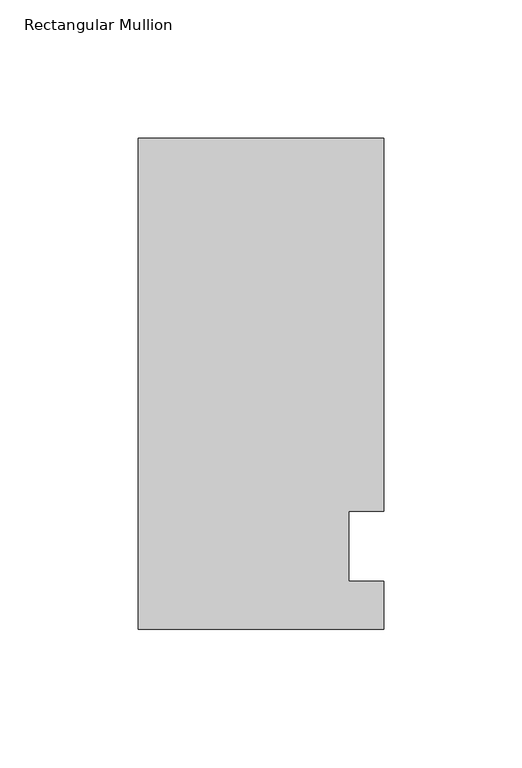
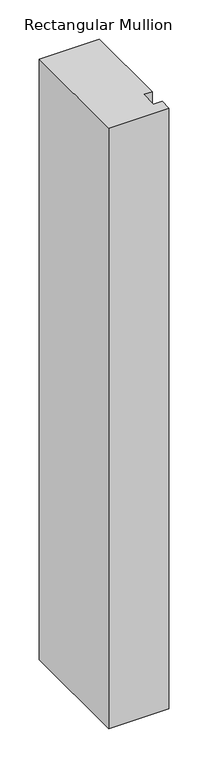
"""IFC4 building model written with IfcOpenShell, lengths in millimetres: member geometry, Rectangular Mullion."""

from ifc_helpers import new_model, si_unit, frame, origin, place, context, project, spatial, polyline, outline, extrude, source, transform, mapped, element, save


def rectangular_mullion_96048883(model_context):
    return source(origin(), model_context, "Body", "SweptSolid", [
        extrude(outline(polyline([(48.7844027, 149.225), (48.7844027, 14.2339535), (36.0844027, 14.2339535), (36.0844027, -11.1660465), (48.7844027, -11.1660465), (48.7844027, -28.575), (-40.1155973, -28.575), (-40.1155973, 149.225), (48.7844027, 149.225)])), frame((0.0, 0.0, -937.7844027), z_axis=(0.0, 0.0, 1.0), x_axis=(1.0, 0.0, 0.0)), (0.0, 0.0, 1.0), 937.7844027),
    ])


if __name__ == "__main__":
    model = new_model("IFC4")
    model_context = context("Model", 3, world=origin())
    ifc_project = project(units=[si_unit("LENGTHUNIT", "METRE", prefix="MILLI")], contexts=[model_context])
    site = spatial("IfcSite", under=ifc_project)
    building = spatial("IfcBuilding", under=site)
    placement = place(None, origin())
    rectangular_mullion_shape = rectangular_mullion_96048883(model_context)
    element("IfcMember", 1, ObjectType="Rectangular Mullion", at=placement, inside=building, context=model_context, shape_type="MappedRepresentation", body=[
        mapped(rectangular_mullion_shape, transform((0.0, 0.0, 0.0), x_axis=(1.0, 0.0, 0.0), y_axis=(0.0, 1.0, 0.0), z_axis=(0.0, 0.0, 1.0))),
    ])
    save(model, "model.ifc")
